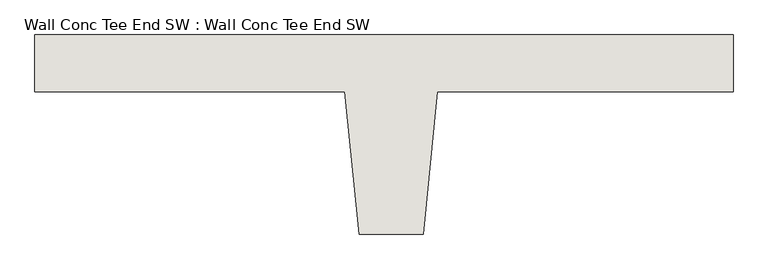
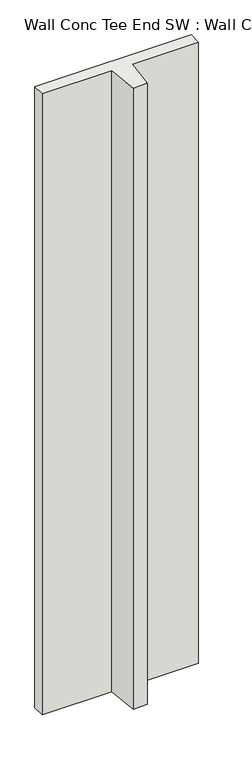
"""IFC4 building model written with IfcOpenShell, lengths in millimetres: wall geometry, Wall Conc Tee End SW : Wall Conc Tee End SW."""

from ifc_helpers import new_model, si_unit, frame, origin, place, context, project, spatial, polyline, outline, extrude, source, transform, mapped, element, save


def wall_conc_tee_end_sw_wall_conc_tee_end_sw_117db571(model_context):
    return source(origin(), model_context, "Body", "SweptSolid", [
        extrude(outline(polyline([(205296.2728488, 158941.2596581), (204769.2228488, 158941.2596581), (204743.8228488, 158687.2596581), (204629.5228488, 158687.2596581), (204604.1228488, 158941.2596581), (204051.6728488, 158941.2596581), (204051.6728488, 159042.8596581), (205296.2728488, 159042.8596581), (205296.2728488, 158941.2596581)])), frame((0.0, 0.0, 143.7592564), z_axis=(0.0, 0.0, 1.0), x_axis=(1.0, 0.0, 0.0)), (0.0, 0.0, 1.0), 5232.4087123),
    ])


if __name__ == "__main__":
    model = new_model("IFC4")
    model_context = context("Model", 3, world=origin())
    ifc_project = project(units=[si_unit("LENGTHUNIT", "METRE", prefix="MILLI")], contexts=[model_context])
    site = spatial("IfcSite", under=ifc_project)
    building = spatial("IfcBuilding", under=site)
    placement = place(None, origin())
    wall_conc_tee_end_sw_wall_conc_tee_end_sw_shape = wall_conc_tee_end_sw_wall_conc_tee_end_sw_117db571(model_context)
    element("IfcWall", 1, ObjectType="Wall Conc Tee End SW : Wall Conc Tee End SW", at=placement, inside=building, context=model_context, shape_type="MappedRepresentation", body=[
        mapped(wall_conc_tee_end_sw_wall_conc_tee_end_sw_shape, transform((0.0, 0.0, 0.0), x_axis=(1.0, 0.0, 0.0), y_axis=(0.0, 1.0, 0.0), z_axis=(0.0, 0.0, 1.0))),
    ])
    save(model, "model.ifc")
